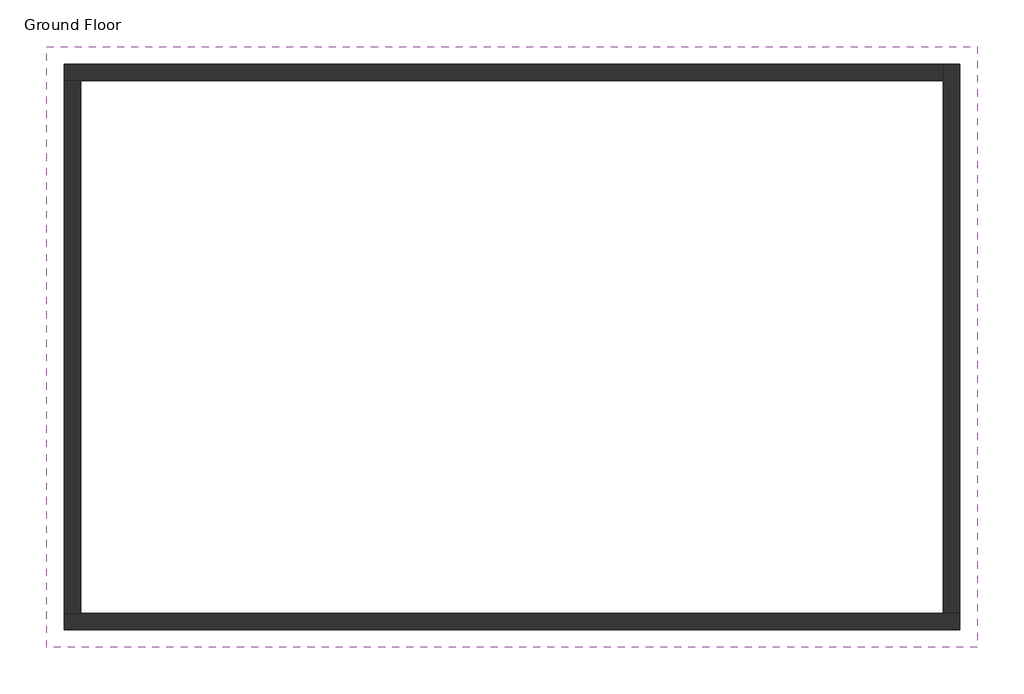
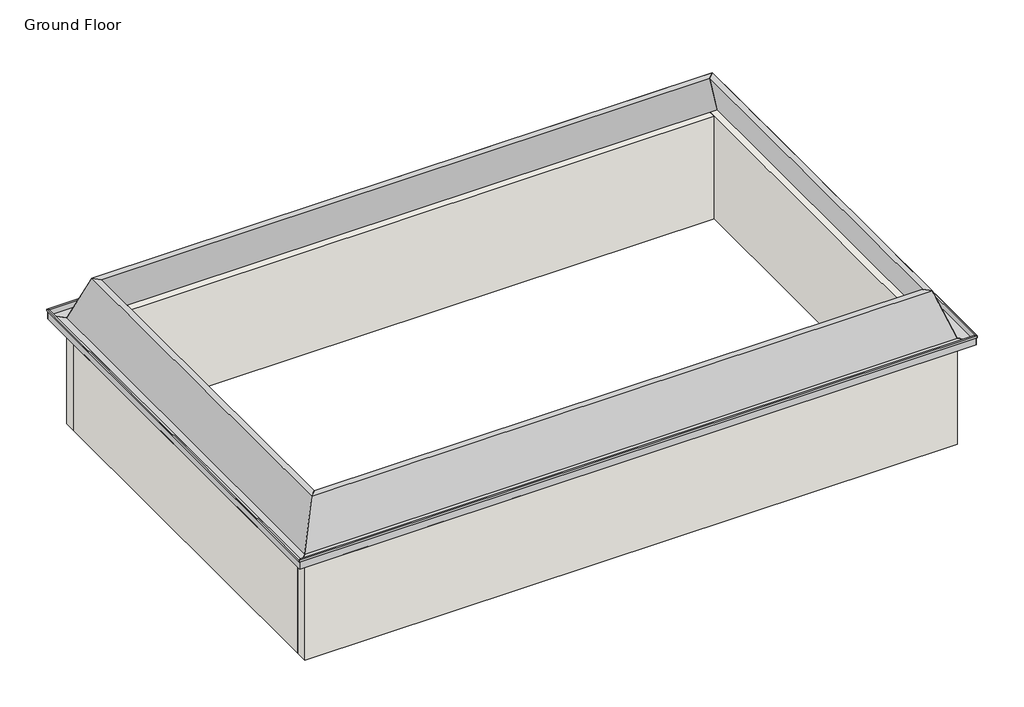
# One storey: 4 walls, 1 proxy.
"""IFC4 building model written with IfcOpenShell, lengths in millimetres."""

from ifc_helpers import new_model, si_unit, origin, origin_with_axes, place, context, project, spatial, polyline, outline, extrude, faceted_brep, element, save

model = new_model("IFC4")

# Units and contexts
model_context = context("Model", 3, world=origin())
ifc_project = project(units=[si_unit("LENGTHUNIT", "METRE", prefix="MILLI")], contexts=[model_context])

# Site, building, storey
site = spatial("IfcSite", under=ifc_project)
building = spatial("IfcBuilding", under=site)
storey = spatial("IfcBuildingStorey", under=building, Name="Ground Floor", Elevation=0.0)

# Proxy
placement = place(None, origin())
element("IfcBuildingElementProxy", 1, Name="Cornice 2", ObjectType="Cornice 2", at=placement, inside=storey, context=model_context, shape_type="Brep", body=[
    faceted_brep([(-12611.0451287, 5169.6090619, 2700.0), (-12311.0451287, 4869.6090619, 2700.0), (-12311.0451287, 4869.6090619, 2705.6834912), (-12606.0451287, 5164.6090619, 2705.6834912), (-12606.0451287, 5164.6090619, 2905.6834912), (-12626.0451287, 5184.6090619, 2905.6834912), (-12626.0451287, 5184.6090619, 2944.4813469), (-12591.0451287, 5149.6090619, 2944.4813469), (-12591.0451287, 5149.6090619, 2795.0), (-12307.4786634, 4866.0425965, 2795.0), (-11910.2855149, 4468.8494481, 3948.5326622), (-11768.8519803, 4327.4159134, 3948.5326622), (-12198.756252, 4757.3201851, 2700.0), (-12193.4681486, 4752.0320817, 2700.0), (-11761.8422388, 4320.406172, 3953.5326622), (-11913.8519803, 4472.4159134, 3953.5326622), (-12311.0451287, 4869.6090619, 2800.0), (-12586.0451287, 5144.6090619, 2800.0), (-12586.0451287, 5144.6090619, 2950.0), (-12631.0451287, 5189.6090619, 2950.0), (-12631.0451287, 5189.6090619, 2900.0), (-12611.0451287, 5169.6090619, 2900.0), (4288.9548713, 5169.6090619, 2700.0), (4288.9548713, 5169.6090619, 2900.0), (4308.9548713, 5189.6090619, 2900.0), (4308.9548713, 5189.6090619, 2950.0), (4263.9548713, 5144.6090619, 2950.0), (4263.9548713, 5144.6090619, 2800.0), (3988.9548713, 4869.6090619, 2800.0), (3591.7617229, 4472.4159134, 3953.5326622), (3439.7519814, 4320.406172, 3953.5326622), (3871.3778912, 4752.0320817, 2700.0), (3876.6659946, 4757.3201851, 2700.0), (3446.7617229, 4327.4159134, 3948.5326622), (3588.1952575, 4468.8494481, 3948.5326622), (3985.388406, 4866.0425965, 2795.0), (4268.9548713, 5149.6090619, 2795.0), (4268.9548713, 5149.6090619, 2944.4813469), (4303.9548713, 5184.6090619, 2944.4813469), (4303.9548713, 5184.6090619, 2905.6834912), (4283.9548713, 5164.6090619, 2905.6834912), (4283.9548713, 5164.6090619, 2705.6834912), (3988.9548713, 4869.6090619, 2705.6834912), (3988.9548713, 4869.6090619, 2700.0)], [[[0, 1, 2, 3, 4, 5, 6, 7, 8, 9, 10, 11, 12, 13, 14, 15, 16, 17, 18, 19, 20, 21]], [[22, 23, 24, 25, 26, 27, 28, 29, 30, 31, 32, 33, 34, 35, 36, 37, 38, 39, 40, 41, 42, 43]], [[1, 0, 22, 43]], [[2, 1, 43, 42]], [[3, 2, 42, 41]], [[4, 3, 41, 40]], [[5, 4, 40, 39]], [[6, 5, 39, 38]], [[7, 6, 38, 37]], [[8, 7, 37, 36]], [[9, 8, 36, 35]], [[10, 9, 35, 34]], [[11, 10, 34, 33]], [[12, 11, 33, 32]], [[13, 12, 32, 31]], [[14, 13, 31, 30]], [[15, 14, 30, 29]], [[16, 15, 29, 28]], [[17, 16, 28, 27]], [[18, 17, 27, 26]], [[19, 18, 26, 25]], [[20, 19, 25, 24]], [[21, 20, 24, 23]], [[0, 21, 23, 22]]]),
    faceted_brep([(-12611.0451287, 5169.6090619, 2700.0), (-12611.0451287, 5169.6090619, 2900.0), (-12631.0451287, 5189.6090619, 2900.0), (-12631.0451287, 5189.6090619, 2950.0), (-12586.0451287, 5144.6090619, 2950.0), (-12586.0451287, 5144.6090619, 2800.0), (-12311.0451287, 4869.6090619, 2800.0), (-11913.8519803, 4472.4159134, 3953.5326622), (-11761.8422388, 4320.406172, 3953.5326622), (-12193.4681486, 4752.0320817, 2700.0), (-12198.756252, 4757.3201851, 2700.0), (-11768.8519803, 4327.4159134, 3948.5326622), (-11910.2855149, 4468.8494481, 3948.5326622), (-12307.4786634, 4866.0425965, 2795.0), (-12591.0451287, 5149.6090619, 2795.0), (-12591.0451287, 5149.6090619, 2944.4813469), (-12626.0451287, 5184.6090619, 2944.4813469), (-12626.0451287, 5184.6090619, 2905.6834912), (-12606.0451287, 5164.6090619, 2905.6834912), (-12606.0451287, 5164.6090619, 2705.6834912), (-12311.0451287, 4869.6090619, 2705.6834912), (-12311.0451287, 4869.6090619, 2700.0), (-12611.0451287, -5730.3909381, 2700.0), (-12311.0451287, -5430.3909381, 2700.0), (-12311.0451287, -5430.3909381, 2705.6834912), (-12606.0451287, -5725.3909381, 2705.6834912), (-12606.0451287, -5725.3909381, 2905.6834912), (-12626.0451287, -5745.3909381, 2905.6834912), (-12626.0451287, -5745.3909381, 2944.4813469), (-12591.0451287, -5710.3909381, 2944.4813469), (-12591.0451287, -5710.3909381, 2795.0), (-12307.4786634, -5426.8244728, 2795.0), (-11910.2855149, -5029.6313244, 3948.5326622), (-11768.8519803, -4888.1977897, 3948.5326622), (-12198.756252, -5318.1020614, 2700.0), (-12193.4681486, -5312.813958, 2700.0), (-11761.8422388, -4881.1880482, 3953.5326622), (-11913.8519803, -5033.1977897, 3953.5326622), (-12311.0451287, -5430.3909381, 2800.0), (-12586.0451287, -5705.3909381, 2800.0), (-12586.0451287, -5705.3909381, 2950.0), (-12631.0451287, -5750.3909381, 2950.0), (-12631.0451287, -5750.3909381, 2900.0), (-12611.0451287, -5730.3909381, 2900.0)], [[[0, 1, 2, 3, 4, 5, 6, 7, 8, 9, 10, 11, 12, 13, 14, 15, 16, 17, 18, 19, 20, 21]], [[22, 23, 24, 25, 26, 27, 28, 29, 30, 31, 32, 33, 34, 35, 36, 37, 38, 39, 40, 41, 42, 43]], [[1, 0, 22, 43]], [[2, 1, 43, 42]], [[3, 2, 42, 41]], [[4, 3, 41, 40]], [[5, 4, 40, 39]], [[6, 5, 39, 38]], [[7, 6, 38, 37]], [[8, 7, 37, 36]], [[9, 8, 36, 35]], [[10, 9, 35, 34]], [[11, 10, 34, 33]], [[12, 11, 33, 32]], [[13, 12, 32, 31]], [[14, 13, 31, 30]], [[15, 14, 30, 29]], [[16, 15, 29, 28]], [[17, 16, 28, 27]], [[18, 17, 27, 26]], [[19, 18, 26, 25]], [[20, 19, 25, 24]], [[21, 20, 24, 23]], [[0, 21, 23, 22]]]),
    faceted_brep([(4288.9548713, 5169.6090619, 2700.0), (3988.9548713, 4869.6090619, 2700.0), (3988.9548713, 4869.6090619, 2705.6834912), (4283.9548713, 5164.6090619, 2705.6834912), (4283.9548713, 5164.6090619, 2905.6834912), (4303.9548713, 5184.6090619, 2905.6834912), (4303.9548713, 5184.6090619, 2944.4813469), (4268.9548713, 5149.6090619, 2944.4813469), (4268.9548713, 5149.6090619, 2795.0), (3985.388406, 4866.0425965, 2795.0), (3588.1952575, 4468.8494481, 3948.5326622), (3446.7617229, 4327.4159134, 3948.5326622), (3876.6659946, 4757.3201851, 2700.0), (3871.3778912, 4752.0320817, 2700.0), (3439.7519814, 4320.406172, 3953.5326622), (3591.7617229, 4472.4159134, 3953.5326622), (3988.9548713, 4869.6090619, 2800.0), (4263.9548713, 5144.6090619, 2800.0), (4263.9548713, 5144.6090619, 2950.0), (4308.9548713, 5189.6090619, 2950.0), (4308.9548713, 5189.6090619, 2900.0), (4288.9548713, 5169.6090619, 2900.0), (4288.9548713, -5730.3909381, 2700.0), (4288.9548713, -5730.3909381, 2900.0), (4308.9548713, -5750.3909381, 2900.0), (4308.9548713, -5750.3909381, 2950.0), (4263.9548713, -5705.3909381, 2950.0), (4263.9548713, -5705.3909381, 2800.0), (3988.9548713, -5430.3909381, 2800.0), (3591.7617229, -5033.1977897, 3953.5326622), (3439.7519814, -4881.1880482, 3953.5326622), (3871.3778912, -5312.813958, 2700.0), (3876.6659946, -5318.1020614, 2700.0), (3446.7617229, -4888.1977897, 3948.5326622), (3588.1952575, -5029.6313244, 3948.5326622), (3985.388406, -5426.8244728, 2795.0), (4268.9548713, -5710.3909381, 2795.0), (4268.9548713, -5710.3909381, 2944.4813469), (4303.9548713, -5745.3909381, 2944.4813469), (4303.9548713, -5745.3909381, 2905.6834912), (4283.9548713, -5725.3909381, 2905.6834912), (4283.9548713, -5725.3909381, 2705.6834912), (3988.9548713, -5430.3909381, 2705.6834912), (3988.9548713, -5430.3909381, 2700.0)], [[[0, 1, 2, 3, 4, 5, 6, 7, 8, 9, 10, 11, 12, 13, 14, 15, 16, 17, 18, 19, 20, 21]], [[22, 23, 24, 25, 26, 27, 28, 29, 30, 31, 32, 33, 34, 35, 36, 37, 38, 39, 40, 41, 42, 43]], [[1, 0, 22, 43]], [[2, 1, 43, 42]], [[3, 2, 42, 41]], [[4, 3, 41, 40]], [[5, 4, 40, 39]], [[6, 5, 39, 38]], [[7, 6, 38, 37]], [[8, 7, 37, 36]], [[9, 8, 36, 35]], [[10, 9, 35, 34]], [[11, 10, 34, 33]], [[12, 11, 33, 32]], [[13, 12, 32, 31]], [[14, 13, 31, 30]], [[15, 14, 30, 29]], [[16, 15, 29, 28]], [[17, 16, 28, 27]], [[18, 17, 27, 26]], [[19, 18, 26, 25]], [[20, 19, 25, 24]], [[21, 20, 24, 23]], [[0, 21, 23, 22]]]),
    faceted_brep([(4288.9548713, -5730.3909381, 2700.0), (3988.9548713, -5430.3909381, 2700.0), (3988.9548713, -5430.3909381, 2705.6834912), (4283.9548713, -5725.3909381, 2705.6834912), (4283.9548713, -5725.3909381, 2905.6834912), (4303.9548713, -5745.3909381, 2905.6834912), (4303.9548713, -5745.3909381, 2944.4813469), (4268.9548713, -5710.3909381, 2944.4813469), (4268.9548713, -5710.3909381, 2795.0), (3985.388406, -5426.8244728, 2795.0), (3588.1952575, -5029.6313244, 3948.5326622), (3446.7617229, -4888.1977897, 3948.5326622), (3876.6659946, -5318.1020614, 2700.0), (3871.3778912, -5312.813958, 2700.0), (3439.7519814, -4881.1880482, 3953.5326622), (3591.7617229, -5033.1977897, 3953.5326622), (3988.9548713, -5430.3909381, 2800.0), (4263.9548713, -5705.3909381, 2800.0), (4263.9548713, -5705.3909381, 2950.0), (4308.9548713, -5750.3909381, 2950.0), (4308.9548713, -5750.3909381, 2900.0), (4288.9548713, -5730.3909381, 2900.0), (-12611.0451287, -5730.3909381, 2700.0), (-12611.0451287, -5730.3909381, 2900.0), (-12631.0451287, -5750.3909381, 2900.0), (-12631.0451287, -5750.3909381, 2950.0), (-12586.0451287, -5705.3909381, 2950.0), (-12586.0451287, -5705.3909381, 2800.0), (-12311.0451287, -5430.3909381, 2800.0), (-11913.8519803, -5033.1977897, 3953.5326622), (-11761.8422388, -4881.1880482, 3953.5326622), (-12193.4681486, -5312.813958, 2700.0), (-12198.756252, -5318.1020614, 2700.0), (-11768.8519803, -4888.1977897, 3948.5326622), (-11910.2855149, -5029.6313244, 3948.5326622), (-12307.4786634, -5426.8244728, 2795.0), (-12591.0451287, -5710.3909381, 2795.0), (-12591.0451287, -5710.3909381, 2944.4813469), (-12626.0451287, -5745.3909381, 2944.4813469), (-12626.0451287, -5745.3909381, 2905.6834912), (-12606.0451287, -5725.3909381, 2905.6834912), (-12606.0451287, -5725.3909381, 2705.6834912), (-12311.0451287, -5430.3909381, 2705.6834912), (-12311.0451287, -5430.3909381, 2700.0)], [[[0, 1, 2, 3, 4, 5, 6, 7, 8, 9, 10, 11, 12, 13, 14, 15, 16, 17, 18, 19, 20, 21]], [[22, 23, 24, 25, 26, 27, 28, 29, 30, 31, 32, 33, 34, 35, 36, 37, 38, 39, 40, 41, 42, 43]], [[1, 0, 22, 43]], [[2, 1, 43, 42]], [[3, 2, 42, 41]], [[4, 3, 41, 40]], [[5, 4, 40, 39]], [[6, 5, 39, 38]], [[7, 6, 38, 37]], [[8, 7, 37, 36]], [[9, 8, 36, 35]], [[10, 9, 35, 34]], [[11, 10, 34, 33]], [[12, 11, 33, 32]], [[13, 12, 32, 31]], [[14, 13, 31, 30]], [[15, 14, 30, 29]], [[16, 15, 29, 28]], [[17, 16, 28, 27]], [[18, 17, 27, 26]], [[19, 18, 26, 25]], [[20, 19, 25, 24]], [[21, 20, 24, 23]], [[0, 21, 23, 22]]]),
])

# Walls
element("IfcWall", 2, ObjectType="Generic 300mm Wall", at=placement, inside=storey, context=model_context, shape_type="Brep", body=[
    faceted_brep([(-12311.0451287, 4569.6090619, 0.0), (-12011.0451287, 4569.6090619, 0.0), (3688.9548713, 4569.6090619, 0.0), (3688.9548713, 4569.6090619, 2700.0), (-12011.0451287, 4569.6090619, 2700.0), (-12311.0451287, 4569.6090619, 2700.0), (-12311.0451287, 4869.6090619, 0.0), (-12311.0451287, 4869.6090619, 2700.0), (3688.9548713, 4869.6090619, 2700.0), (3688.9548713, 4869.6090619, 0.0)], [[[0, 1, 2, 3, 4, 5]], [[6, 7, 8, 9]], [[2, 1, 0, 6, 9]], [[5, 4, 3, 8, 7]], [[3, 2, 9, 8]], [[0, 5, 7, 6]]]),
])
element("IfcWall", 3, ObjectType="Generic 300mm Wall", at=placement, inside=storey, context=model_context, shape_type="Brep", body=[
    faceted_brep([(3988.9548713, -5130.3909381, 0.0), (3688.9548713, -5130.3909381, 0.0), (-12011.0451287, -5130.3909381, 0.0), (-12311.0451287, -5130.3909381, 0.0), (-12311.0451287, -5130.3909381, 2700.0), (-12011.0451287, -5130.3909381, 2700.0), (3688.9548713, -5130.3909381, 2700.0), (3988.9548713, -5130.3909381, 2700.0), (3988.9548713, -5430.3909381, 0.0), (3988.9548713, -5430.3909381, 2700.0), (-12311.0451287, -5430.3909381, 2700.0), (-12311.0451287, -5430.3909381, 0.0)], [[[0, 1, 2, 3, 4, 5, 6, 7]], [[8, 9, 10, 11]], [[3, 2, 1, 0, 8, 11]], [[7, 6, 5, 4, 10, 9]], [[0, 7, 9, 8]], [[4, 3, 11, 10]]]),
])
element("IfcWall", 4, ObjectType="Generic 300mm Wall", at=placement, inside=storey, context=model_context, shape_type="Brep", body=[
    faceted_brep([(3688.9548713, 4869.6090619, 0.0), (3688.9548713, 4569.6090619, 0.0), (3688.9548713, -5130.3909381, 0.0), (3688.9548713, -5130.3909381, 2700.0), (3688.9548713, 4569.6090619, 2700.0), (3688.9548713, 4869.6090619, 2700.0), (3988.9548713, 4869.6090619, 0.0), (3988.9548713, 4869.6090619, 2700.0), (3988.9548713, -5130.3909381, 2700.0), (3988.9548713, -5130.3909381, 0.0)], [[[0, 1, 2, 3, 4, 5]], [[6, 7, 8, 9]], [[2, 1, 0, 6, 9]], [[5, 4, 3, 8, 7]], [[0, 5, 7, 6]], [[3, 2, 9, 8]]]),
])
element("IfcWall", 5, ObjectType="Generic 300mm Wall", at=placement, inside=storey, context=model_context, shape_type="SweptSolid", body=[
    extrude(outline(polyline([(-12311.0451287, -5130.3909381), (-12311.0451287, 4569.6090619), (-12011.0451287, 4569.6090619), (-12011.0451287, -5130.3909381), (-12311.0451287, -5130.3909381)])), origin_with_axes(), (0.0, 0.0, 1.0), 2700.0),
])

save(model, "model.ifc")
